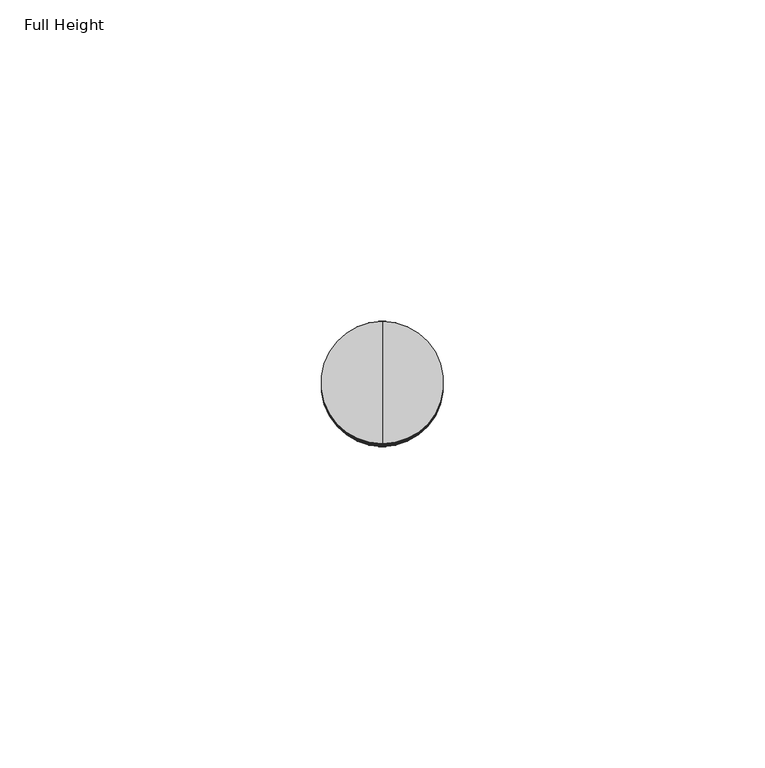
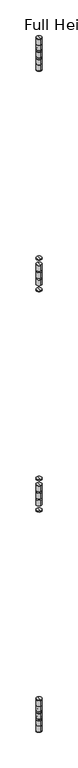
"""IFC4 building model written with IfcOpenShell, lengths in millimetres: plate geometry, Full Height."""

from ifc_helpers import new_model, si_unit, point, frame, origin, place, context, project, spatial, circle_curve, ellipse_curve, trimmed, source, transform, mapped, element, save
from ifc_brep_helpers import plane_surface, cylinder_surface, revolved_surface, advanced_brep


def full_height_aae500aa(model_context):
    return source(origin(), model_context, "Body", "AdvancedBrep", [
        advanced_brep(
        [(-465.836, -30.9626, 1194.6466667), (-465.836, -50.0126, 1194.6466667), (-465.836, -50.0126, 1196.6786667), (-465.836, -30.9626, 1196.6786667), (-465.836, -40.4876, 1194.6466667), (-465.836, -40.4876, 1196.6786667)],
        [
            (0, 1, circle_curve(frame((-465.836, -40.4876, 1194.6466667), z_axis=(0.0, 0.0, 1.0), x_axis=(0.0, -1.0, 0.0)), 9.525)),
            (1, 2),
            (2, 3, circle_curve(frame((-465.836, -40.4876, 1196.6786667), z_axis=(0.0, 0.0, -1.0), x_axis=(0.0, -1.0, 0.0)), 9.525)),
            (3, 0),
            (1, 0, circle_curve(frame((-465.836, -40.4876, 1194.6466667), z_axis=(0.0, 0.0, 1.0), x_axis=(0.0, -1.0, 0.0)), 9.525)),
            (3, 2, circle_curve(frame((-465.836, -40.4876, 1196.6786667), z_axis=(0.0, 0.0, -1.0), x_axis=(0.0, -1.0, 0.0)), 9.525)),
            (4, 1),
            (0, 4),
            (2, 5),
            (5, 3),
        ],
        [
            cylinder_surface(frame((-465.836, -40.4876, 2074.8413333), z_axis=(0.0, 0.0, -1.0), x_axis=(0.0, -1.0, 0.0)), 9.525),
            plane_surface(frame((-465.836, -40.4876, 1194.6466667), z_axis=(0.0, 0.0, -1.0), x_axis=(0.0, -1.0, 0.0))),
            plane_surface(frame((-465.836, -40.4876, 1196.6786667), z_axis=(0.0, 0.0, 1.0), x_axis=(0.0, -1.0, 0.0))),
        ],
        [
            (0, [[1, 2, 3, 4]]),
            (0, [[5, -4, 6, -2]]),
            (1, [[7, -1, 8]]),
            (1, [[-8, -5, -7]]),
            (2, [[-3, 9, 10]]),
            (2, [[-6, -10, -9]]),
        ],
    ),
        advanced_brep(
        [(-465.836, -30.9626, 1154.0066667), (-465.836, -50.0126, 1154.0066667), (-465.836, -50.0126, 1174.3266667), (-465.836, -30.9626, 1174.3266667), (-465.836, -40.4876, 1154.0066667), (-465.836, -40.4876, 1174.3266667)],
        [
            (0, 1, circle_curve(frame((-465.836, -40.4876, 1154.0066667), z_axis=(0.0, 0.0, 1.0), x_axis=(0.0, -1.0, 0.0)), 9.525)),
            (1, 2),
            (2, 3, circle_curve(frame((-465.836, -40.4876, 1174.3266667), z_axis=(0.0, 0.0, -1.0), x_axis=(0.0, -1.0, 0.0)), 9.525)),
            (3, 0),
            (1, 0, circle_curve(frame((-465.836, -40.4876, 1154.0066667), z_axis=(0.0, 0.0, 1.0), x_axis=(0.0, -1.0, 0.0)), 9.525)),
            (3, 2, circle_curve(frame((-465.836, -40.4876, 1174.3266667), z_axis=(0.0, 0.0, -1.0), x_axis=(0.0, -1.0, 0.0)), 9.525)),
            (4, 1),
            (0, 4),
            (2, 5),
            (5, 3),
        ],
        [
            cylinder_surface(frame((-465.836, -40.4876, 2074.8413333), z_axis=(0.0, 0.0, -1.0), x_axis=(0.0, -1.0, 0.0)), 9.525),
            plane_surface(frame((-465.836, -40.4876, 1154.0066667), z_axis=(0.0, 0.0, -1.0), x_axis=(0.0, -1.0, 0.0))),
            plane_surface(frame((-465.836, -40.4876, 1174.3266667), z_axis=(0.0, 0.0, 1.0), x_axis=(0.0, -1.0, 0.0))),
        ],
        [
            (0, [[1, 2, 3, 4]]),
            (0, [[5, -4, 6, -2]]),
            (1, [[7, -1, 8]]),
            (1, [[-8, -5, -7]]),
            (2, [[-3, 9, 10]]),
            (2, [[-6, -10, -9]]),
        ],
    ),
        advanced_brep(
        [(-465.836, -30.9626, 1127.3366667), (-465.836, -50.0126, 1127.3366667), (-465.836, -50.0126, 1147.6566667), (-465.836, -30.9626, 1147.6566667), (-465.836, -40.4876, 1127.3366667), (-465.836, -40.4876, 1147.6566667)],
        [
            (0, 1, circle_curve(frame((-465.836, -40.4876, 1127.3366667), z_axis=(0.0, 0.0, 1.0), x_axis=(0.0, -1.0, 0.0)), 9.525)),
            (1, 2),
            (2, 3, circle_curve(frame((-465.836, -40.4876, 1147.6566667), z_axis=(0.0, 0.0, -1.0), x_axis=(0.0, -1.0, 0.0)), 9.525)),
            (3, 0),
            (1, 0, circle_curve(frame((-465.836, -40.4876, 1127.3366667), z_axis=(0.0, 0.0, 1.0), x_axis=(0.0, -1.0, 0.0)), 9.525)),
            (3, 2, circle_curve(frame((-465.836, -40.4876, 1147.6566667), z_axis=(0.0, 0.0, -1.0), x_axis=(0.0, -1.0, 0.0)), 9.525)),
            (4, 1),
            (0, 4),
            (2, 5),
            (5, 3),
        ],
        [
            cylinder_surface(frame((-465.836, -40.4876, 2074.8413333), z_axis=(0.0, 0.0, -1.0), x_axis=(0.0, -1.0, 0.0)), 9.525),
            plane_surface(frame((-465.836, -40.4876, 1127.3366667), z_axis=(0.0, 0.0, -1.0), x_axis=(0.0, -1.0, 0.0))),
            plane_surface(frame((-465.836, -40.4876, 1147.6566667), z_axis=(0.0, 0.0, 1.0), x_axis=(0.0, -1.0, 0.0))),
        ],
        [
            (0, [[1, 2, 3, 4]]),
            (0, [[5, -4, 6, -2]]),
            (1, [[7, -1, 8]]),
            (1, [[-8, -5, -7]]),
            (2, [[-3, 9, 10]]),
            (2, [[-6, -10, -9]]),
        ],
    ),
        advanced_brep(
        [(-465.836, -30.9626, 1120.9866667), (-465.836, -50.0126, 1120.9866667), (-465.836, -40.4876, 1120.9866667), (-465.836, -30.9626, 1100.6666667), (-465.836, -50.0126, 1100.6666667), (-465.836, -40.4876, 1100.6666667)],
        [
            (0, 1, circle_curve(frame((-465.836, -40.4876, 1120.9866667), z_axis=(0.0, 0.0, 1.0), x_axis=(0.0, -1.0, 0.0)), 9.525)),
            (1, 2),
            (2, 0),
            (1, 0, circle_curve(frame((-465.836, -40.4876, 1120.9866667), z_axis=(0.0, 0.0, 1.0), x_axis=(0.0, -1.0, 0.0)), 9.525)),
            (3, 4, circle_curve(frame((-465.836, -40.4876, 1100.6666667), z_axis=(0.0, 0.0, 1.0), x_axis=(0.0, -1.0, 0.0)), 9.525)),
            (4, 1),
            (0, 3),
            (4, 3, circle_curve(frame((-465.836, -40.4876, 1100.6666667), z_axis=(0.0, 0.0, 1.0), x_axis=(0.0, -1.0, 0.0)), 9.525)),
            (5, 4),
            (3, 5),
        ],
        [
            plane_surface(frame((-465.836, -40.4876, 1120.9866667), z_axis=(0.0, 0.0, 1.0), x_axis=(0.0, -1.0, 0.0))),
            cylinder_surface(frame((-465.836, -40.4876, 2074.8413333), z_axis=(0.0, 0.0, -1.0), x_axis=(0.0, -1.0, 0.0)), 9.525),
            plane_surface(frame((-465.836, -40.4876, 1100.6666667), z_axis=(0.0, 0.0, -1.0), x_axis=(0.0, -1.0, 0.0))),
        ],
        [
            (0, [[1, 2, 3]]),
            (0, [[4, -3, -2]]),
            (1, [[5, 6, -1, 7]]),
            (1, [[8, -7, -4, -6]]),
            (2, [[9, -5, 10]]),
            (2, [[-10, -8, -9]]),
        ],
    ),
        advanced_brep(
        [(-465.836, -30.9626, 1078.3146667), (-465.836, -50.0126, 1078.3146667), (-465.836, -50.0126, 1080.3466667), (-465.836, -30.9626, 1080.3466667), (-465.836, -40.4876, 1078.3146667), (-465.836, -40.4876, 1080.3466667)],
        [
            (0, 1, circle_curve(frame((-465.836, -40.4876, 1078.3146667), z_axis=(0.0, 0.0, 1.0), x_axis=(0.0, -1.0, 0.0)), 9.525)),
            (1, 2),
            (2, 3, circle_curve(frame((-465.836, -40.4876, 1080.3466667), z_axis=(0.0, 0.0, -1.0), x_axis=(0.0, -1.0, 0.0)), 9.525)),
            (3, 0),
            (1, 0, circle_curve(frame((-465.836, -40.4876, 1078.3146667), z_axis=(0.0, 0.0, 1.0), x_axis=(0.0, -1.0, 0.0)), 9.525)),
            (3, 2, circle_curve(frame((-465.836, -40.4876, 1080.3466667), z_axis=(0.0, 0.0, -1.0), x_axis=(0.0, -1.0, 0.0)), 9.525)),
            (4, 1),
            (0, 4),
            (2, 5),
            (5, 3),
        ],
        [
            cylinder_surface(frame((-465.836, -40.4876, 2074.8413333), z_axis=(0.0, 0.0, -1.0), x_axis=(0.0, -1.0, 0.0)), 9.525),
            plane_surface(frame((-465.836, -40.4876, 1078.3146667), z_axis=(0.0, 0.0, -1.0), x_axis=(0.0, -1.0, 0.0))),
            plane_surface(frame((-465.836, -40.4876, 1080.3466667), z_axis=(0.0, 0.0, 1.0), x_axis=(0.0, -1.0, 0.0))),
        ],
        [
            (0, [[1, 2, 3, 4]]),
            (0, [[5, -4, 6, -2]]),
            (1, [[7, -1, 8]]),
            (1, [[-8, -5, -7]]),
            (2, [[-3, 9, 10]]),
            (2, [[-6, -10, -9]]),
        ],
    ),
        advanced_brep(
        [(-465.836, -30.9626, 2008.2933333), (-465.836, -50.0126, 2008.2933333), (-465.836, -50.0126, 2010.3253333), (-465.836, -30.9626, 2010.3253333), (-465.836, -40.4876, 2008.2933333), (-465.836, -40.4876, 2010.3253333)],
        [
            (0, 1, circle_curve(frame((-465.836, -40.4876, 2008.2933333), z_axis=(0.0, 0.0, 1.0), x_axis=(0.0, -1.0, 0.0)), 9.525)),
            (1, 2),
            (2, 3, circle_curve(frame((-465.836, -40.4876, 2010.3253333), z_axis=(0.0, 0.0, -1.0), x_axis=(0.0, -1.0, 0.0)), 9.525)),
            (3, 0),
            (1, 0, circle_curve(frame((-465.836, -40.4876, 2008.2933333), z_axis=(0.0, 0.0, 1.0), x_axis=(0.0, -1.0, 0.0)), 9.525)),
            (3, 2, circle_curve(frame((-465.836, -40.4876, 2010.3253333), z_axis=(0.0, 0.0, -1.0), x_axis=(0.0, -1.0, 0.0)), 9.525)),
            (4, 1),
            (0, 4),
            (2, 5),
            (5, 3),
        ],
        [
            cylinder_surface(frame((-465.836, -40.4876, 2074.8413333), z_axis=(0.0, 0.0, -1.0), x_axis=(0.0, -1.0, 0.0)), 9.525),
            plane_surface(frame((-465.836, -40.4876, 2008.2933333), z_axis=(0.0, 0.0, -1.0), x_axis=(0.0, -1.0, 0.0))),
            plane_surface(frame((-465.836, -40.4876, 2010.3253333), z_axis=(0.0, 0.0, 1.0), x_axis=(0.0, -1.0, 0.0))),
        ],
        [
            (0, [[1, 2, 3, 4]]),
            (0, [[5, -4, 6, -2]]),
            (1, [[7, -1, 8]]),
            (1, [[-8, -5, -7]]),
            (2, [[-3, 9, 10]]),
            (2, [[-6, -10, -9]]),
        ],
    ),
        advanced_brep(
        [(-465.836, -30.9626, 1967.6533333), (-465.836, -50.0126, 1967.6533333), (-465.836, -50.0126, 1987.9733333), (-465.836, -30.9626, 1987.9733333), (-465.836, -40.4876, 1967.6533333), (-465.836, -40.4876, 1987.9733333)],
        [
            (0, 1, circle_curve(frame((-465.836, -40.4876, 1967.6533333), z_axis=(0.0, 0.0, 1.0), x_axis=(0.0, -1.0, 0.0)), 9.525)),
            (1, 2),
            (2, 3, circle_curve(frame((-465.836, -40.4876, 1987.9733333), z_axis=(0.0, 0.0, -1.0), x_axis=(0.0, -1.0, 0.0)), 9.525)),
            (3, 0),
            (1, 0, circle_curve(frame((-465.836, -40.4876, 1967.6533333), z_axis=(0.0, 0.0, 1.0), x_axis=(0.0, -1.0, 0.0)), 9.525)),
            (3, 2, circle_curve(frame((-465.836, -40.4876, 1987.9733333), z_axis=(0.0, 0.0, -1.0), x_axis=(0.0, -1.0, 0.0)), 9.525)),
            (4, 1),
            (0, 4),
            (2, 5),
            (5, 3),
        ],
        [
            cylinder_surface(frame((-465.836, -40.4876, 2074.8413333), z_axis=(0.0, 0.0, -1.0), x_axis=(0.0, -1.0, 0.0)), 9.525),
            plane_surface(frame((-465.836, -40.4876, 1967.6533333), z_axis=(0.0, 0.0, -1.0), x_axis=(0.0, -1.0, 0.0))),
            plane_surface(frame((-465.836, -40.4876, 1987.9733333), z_axis=(0.0, 0.0, 1.0), x_axis=(0.0, -1.0, 0.0))),
        ],
        [
            (0, [[1, 2, 3, 4]]),
            (0, [[5, -4, 6, -2]]),
            (1, [[7, -1, 8]]),
            (1, [[-8, -5, -7]]),
            (2, [[-3, 9, 10]]),
            (2, [[-6, -10, -9]]),
        ],
    ),
        advanced_brep(
        [(-465.836, -30.9626, 1940.9833333), (-465.836, -50.0126, 1940.9833333), (-465.836, -50.0126, 1961.3033333), (-465.836, -30.9626, 1961.3033333), (-465.836, -40.4876, 1940.9833333), (-465.836, -40.4876, 1961.3033333)],
        [
            (0, 1, circle_curve(frame((-465.836, -40.4876, 1940.9833333), z_axis=(0.0, 0.0, 1.0), x_axis=(0.0, -1.0, 0.0)), 9.525)),
            (1, 2),
            (2, 3, circle_curve(frame((-465.836, -40.4876, 1961.3033333), z_axis=(0.0, 0.0, -1.0), x_axis=(0.0, -1.0, 0.0)), 9.525)),
            (3, 0),
            (1, 0, circle_curve(frame((-465.836, -40.4876, 1940.9833333), z_axis=(0.0, 0.0, 1.0), x_axis=(0.0, -1.0, 0.0)), 9.525)),
            (3, 2, circle_curve(frame((-465.836, -40.4876, 1961.3033333), z_axis=(0.0, 0.0, -1.0), x_axis=(0.0, -1.0, 0.0)), 9.525)),
            (4, 1),
            (0, 4),
            (2, 5),
            (5, 3),
        ],
        [
            cylinder_surface(frame((-465.836, -40.4876, 2074.8413333), z_axis=(0.0, 0.0, -1.0), x_axis=(0.0, -1.0, 0.0)), 9.525),
            plane_surface(frame((-465.836, -40.4876, 1940.9833333), z_axis=(0.0, 0.0, -1.0), x_axis=(0.0, -1.0, 0.0))),
            plane_surface(frame((-465.836, -40.4876, 1961.3033333), z_axis=(0.0, 0.0, 1.0), x_axis=(0.0, -1.0, 0.0))),
        ],
        [
            (0, [[1, 2, 3, 4]]),
            (0, [[5, -4, 6, -2]]),
            (1, [[7, -1, 8]]),
            (1, [[-8, -5, -7]]),
            (2, [[-3, 9, 10]]),
            (2, [[-6, -10, -9]]),
        ],
    ),
        advanced_brep(
        [(-465.836, -30.9626, 1914.3133333), (-465.836, -50.0126, 1914.3133333), (-465.836, -50.0126, 1934.6333333), (-465.836, -30.9626, 1934.6333333), (-465.836, -40.4876, 1914.3133333), (-465.836, -40.4876, 1934.6333333)],
        [
            (0, 1, circle_curve(frame((-465.836, -40.4876, 1914.3133333), z_axis=(0.0, 0.0, 1.0), x_axis=(0.0, -1.0, 0.0)), 9.525)),
            (1, 2),
            (2, 3, circle_curve(frame((-465.836, -40.4876, 1934.6333333), z_axis=(0.0, 0.0, -1.0), x_axis=(0.0, -1.0, 0.0)), 9.525)),
            (3, 0),
            (1, 0, circle_curve(frame((-465.836, -40.4876, 1914.3133333), z_axis=(0.0, 0.0, 1.0), x_axis=(0.0, -1.0, 0.0)), 9.525)),
            (3, 2, circle_curve(frame((-465.836, -40.4876, 1934.6333333), z_axis=(0.0, 0.0, -1.0), x_axis=(0.0, -1.0, 0.0)), 9.525)),
            (4, 1),
            (0, 4),
            (2, 5),
            (5, 3),
        ],
        [
            cylinder_surface(frame((-465.836, -40.4876, 2074.8413333), z_axis=(0.0, 0.0, -1.0), x_axis=(0.0, -1.0, 0.0)), 9.525),
            plane_surface(frame((-465.836, -40.4876, 1914.3133333), z_axis=(0.0, 0.0, -1.0), x_axis=(0.0, -1.0, 0.0))),
            plane_surface(frame((-465.836, -40.4876, 1934.6333333), z_axis=(0.0, 0.0, 1.0), x_axis=(0.0, -1.0, 0.0))),
        ],
        [
            (0, [[1, 2, 3, 4]]),
            (0, [[5, -4, 6, -2]]),
            (1, [[7, -1, 8]]),
            (1, [[-8, -5, -7]]),
            (2, [[-3, 9, 10]]),
            (2, [[-6, -10, -9]]),
        ],
    ),
        advanced_brep(
        [(-465.836, -40.4876, 1891.9613333), (-465.836, -50.0126, 1891.9613333), (-465.836, -30.9626, 1891.9613333), (-465.836, -30.9626, 1893.9933333), (-465.836, -50.0126, 1893.9933333), (-465.836, -40.4876, 1893.9933333)],
        [
            (0, 1),
            (1, 2, circle_curve(frame((-465.836, -40.4876, 1891.9613333), z_axis=(0.0, 0.0, -1.0), x_axis=(0.0, -1.0, 0.0)), 9.525)),
            (2, 0),
            (2, 1, circle_curve(frame((-465.836, -40.4876, 1891.9613333), z_axis=(0.0, 0.0, -1.0), x_axis=(0.0, -1.0, 0.0)), 9.525)),
            (3, 4, circle_curve(frame((-465.836, -40.4876, 1893.9933333), z_axis=(0.0, 0.0, 1.0), x_axis=(0.0, -1.0, 0.0)), 9.525)),
            (4, 5),
            (5, 3),
            (4, 3, circle_curve(frame((-465.836, -40.4876, 1893.9933333), z_axis=(0.0, 0.0, 1.0), x_axis=(0.0, -1.0, 0.0)), 9.525)),
            (1, 4),
            (3, 2),
        ],
        [
            plane_surface(frame((-465.836, -40.4876, 1891.9613333), z_axis=(0.0, 0.0, -1.0), x_axis=(0.0, -1.0, 0.0))),
            plane_surface(frame((-465.836, -40.4876, 1893.9933333), z_axis=(0.0, 0.0, 1.0), x_axis=(0.0, -1.0, 0.0))),
            cylinder_surface(frame((-465.836, -40.4876, 2074.8413333), z_axis=(0.0, 0.0, -1.0), x_axis=(0.0, -1.0, 0.0)), 9.525),
        ],
        [
            (0, [[1, 2, 3]]),
            (0, [[-3, 4, -1]]),
            (1, [[5, 6, 7]]),
            (1, [[8, -7, -6]]),
            (2, [[-2, 9, -5, 10]]),
            (2, [[-4, -10, -8, -9]]),
        ],
    ),
        advanced_brep(
        [(-465.836, -30.9626, 334.518), (-465.836, -50.0126, 334.518), (-465.836, -50.0126, 339.852), (-465.836, -30.9626, 339.852), (-465.836, -40.4876, 334.01), (-465.836, -49.5046, 334.01), (-465.836, -31.4706, 334.01), (-465.836, -31.4706, 340.36), (-465.836, -49.5046, 340.36), (-465.836, -40.4876, 340.36)],
        [
            (0, 1, circle_curve(frame((-465.836, -40.4876, 334.518), z_axis=(0.0, 0.0, 1.0), x_axis=(0.0, -1.0, 0.0)), 9.525)),
            (1, 2),
            (2, 3, circle_curve(frame((-465.836, -40.4876, 339.852), z_axis=(0.0, 0.0, -1.0), x_axis=(0.0, -1.0, 0.0)), 9.525)),
            (3, 0),
            (1, 0, circle_curve(frame((-465.836, -40.4876, 334.518), z_axis=(0.0, 0.0, 1.0), x_axis=(0.0, -1.0, 0.0)), 9.525)),
            (3, 2, circle_curve(frame((-465.836, -40.4876, 339.852), z_axis=(0.0, 0.0, -1.0), x_axis=(0.0, -1.0, 0.0)), 9.525)),
            (4, 5),
            (5, 6, circle_curve(frame((-465.836, -40.4876, 334.01), z_axis=(0.0, 0.0, -1.0), x_axis=(0.0, -1.0, 0.0)), 9.017)),
            (6, 4),
            (6, 5, circle_curve(frame((-465.836, -40.4876, 334.01), z_axis=(0.0, 0.0, -1.0), x_axis=(0.0, -1.0, 0.0)), 9.017)),
            (7, 8, circle_curve(frame((-465.836, -40.4876, 340.36), z_axis=(0.0, 0.0, 1.0), x_axis=(0.0, -1.0, 0.0)), 9.017)),
            (8, 9),
            (9, 7),
            (8, 7, circle_curve(frame((-465.836, -40.4876, 340.36), z_axis=(0.0, 0.0, 1.0), x_axis=(0.0, -1.0, 0.0)), 9.017)),
            (2, 8, circle_curve(frame((-465.836, -49.5046, 339.852), z_axis=(-1.0, 0.0, 0.0), x_axis=(0.0, 1.0, 0.0)), 0.508)),
            (7, 3, circle_curve(frame((-465.836, -31.4706, 339.852), z_axis=(-1.0, 0.0, 0.0), x_axis=(0.0, -1.0, 0.0)), 0.508)),
            (5, 1, circle_curve(frame((-465.836, -49.5046, 334.518), z_axis=(-1.0, 0.0, 0.0), x_axis=(0.0, 1.0, 0.0)), 0.508)),
            (0, 6, circle_curve(frame((-465.836, -31.4706, 334.518), z_axis=(-1.0, 0.0, 0.0), x_axis=(0.0, -1.0, 0.0)), 0.508)),
        ],
        [
            cylinder_surface(frame((-465.836, -40.4876, 2838.45), z_axis=(0.0, 0.0, -1.0), x_axis=(0.0, -1.0, 0.0)), 9.525),
            plane_surface(frame((-465.836, -40.4876, 334.01), z_axis=(0.0, 0.0, -1.0), x_axis=(0.0, -1.0, 0.0))),
            plane_surface(frame((-465.836, -40.4876, 340.36), z_axis=(0.0, 0.0, 1.0), x_axis=(0.0, -1.0, 0.0))),
            revolved_surface(trimmed(ellipse_curve(frame((-465.836, -49.5046, 339.852), z_axis=(1.0, 0.0, 0.0), x_axis=(0.0, 1.0, 0.0)), 0.508, 0.508), [point((-465.836, -49.5046, 340.36))], [point((-465.836, -50.0126, 339.852))], True, "CARTESIAN"), (-465.836, -40.4876, 2838.45), (0.0, 0.0, -1.0)),
            revolved_surface(trimmed(ellipse_curve(frame((-465.836, -49.5046, 334.518), z_axis=(1.0, 0.0, 0.0), x_axis=(0.0, 1.0, 0.0)), 0.508, 0.508), [point((-465.836, -50.0126, 334.518))], [point((-465.836, -49.5046, 334.01))], True, "CARTESIAN"), (-465.836, -40.4876, 2838.45), (0.0, 0.0, -1.0)),
        ],
        [
            (0, [[1, 2, 3, 4]]),
            (0, [[5, -4, 6, -2]]),
            (1, [[7, 8, 9]]),
            (1, [[-9, 10, -7]]),
            (2, [[11, 12, 13]]),
            (2, [[14, -13, -12]]),
            (3, [[-3, 15, -11, 16]]),
            (3, [[-6, -16, -14, -15]]),
            (4, [[-8, 17, -1, 18]]),
            (4, [[-10, -18, -5, -17]]),
        ],
    ),
        advanced_brep(
        [(-465.836, -30.9626, 307.848), (-465.836, -50.0126, 307.848), (-465.836, -50.0126, 313.182), (-465.836, -30.9626, 313.182), (-465.836, -40.4876, 307.34), (-465.836, -49.5046, 307.34), (-465.836, -31.4706, 307.34), (-465.836, -31.4706, 313.69), (-465.836, -49.5046, 313.69), (-465.836, -40.4876, 313.69)],
        [
            (0, 1, circle_curve(frame((-465.836, -40.4876, 307.848), z_axis=(0.0, 0.0, 1.0), x_axis=(0.0, -1.0, 0.0)), 9.525)),
            (1, 2),
            (2, 3, circle_curve(frame((-465.836, -40.4876, 313.182), z_axis=(0.0, 0.0, -1.0), x_axis=(0.0, -1.0, 0.0)), 9.525)),
            (3, 0),
            (1, 0, circle_curve(frame((-465.836, -40.4876, 307.848), z_axis=(0.0, 0.0, 1.0), x_axis=(0.0, -1.0, 0.0)), 9.525)),
            (3, 2, circle_curve(frame((-465.836, -40.4876, 313.182), z_axis=(0.0, 0.0, -1.0), x_axis=(0.0, -1.0, 0.0)), 9.525)),
            (4, 5),
            (5, 6, circle_curve(frame((-465.836, -40.4876, 307.34), z_axis=(0.0, 0.0, -1.0), x_axis=(0.0, -1.0, 0.0)), 9.017)),
            (6, 4),
            (6, 5, circle_curve(frame((-465.836, -40.4876, 307.34), z_axis=(0.0, 0.0, -1.0), x_axis=(0.0, -1.0, 0.0)), 9.017)),
            (7, 8, circle_curve(frame((-465.836, -40.4876, 313.69), z_axis=(0.0, 0.0, 1.0), x_axis=(0.0, -1.0, 0.0)), 9.017)),
            (8, 9),
            (9, 7),
            (8, 7, circle_curve(frame((-465.836, -40.4876, 313.69), z_axis=(0.0, 0.0, 1.0), x_axis=(0.0, -1.0, 0.0)), 9.017)),
            (2, 8, circle_curve(frame((-465.836, -49.5046, 313.182), z_axis=(-1.0, 0.0, 0.0), x_axis=(0.0, 1.0, 0.0)), 0.508)),
            (7, 3, circle_curve(frame((-465.836, -31.4706, 313.182), z_axis=(-1.0, 0.0, 0.0), x_axis=(0.0, -1.0, 0.0)), 0.508)),
            (5, 1, circle_curve(frame((-465.836, -49.5046, 307.848), z_axis=(-1.0, 0.0, 0.0), x_axis=(0.0, 1.0, 0.0)), 0.508)),
            (0, 6, circle_curve(frame((-465.836, -31.4706, 307.848), z_axis=(-1.0, 0.0, 0.0), x_axis=(0.0, -1.0, 0.0)), 0.508)),
        ],
        [
            cylinder_surface(frame((-465.836, -40.4876, 2838.45), z_axis=(0.0, 0.0, -1.0), x_axis=(0.0, -1.0, 0.0)), 9.525),
            plane_surface(frame((-465.836, -40.4876, 307.34), z_axis=(0.0, 0.0, -1.0), x_axis=(0.0, -1.0, 0.0))),
            plane_surface(frame((-465.836, -40.4876, 313.69), z_axis=(0.0, 0.0, 1.0), x_axis=(0.0, -1.0, 0.0))),
            revolved_surface(trimmed(ellipse_curve(frame((-465.836, -49.5046, 313.182), z_axis=(1.0, 0.0, 0.0), x_axis=(0.0, 1.0, 0.0)), 0.508, 0.508), [point((-465.836, -49.5046, 313.69))], [point((-465.836, -50.0126, 313.182))], True, "CARTESIAN"), (-465.836, -40.4876, 2838.45), (0.0, 0.0, -1.0)),
            revolved_surface(trimmed(ellipse_curve(frame((-465.836, -49.5046, 307.848), z_axis=(1.0, 0.0, 0.0), x_axis=(0.0, 1.0, 0.0)), 0.508, 0.508), [point((-465.836, -50.0126, 307.848))], [point((-465.836, -49.5046, 307.34))], True, "CARTESIAN"), (-465.836, -40.4876, 2838.45), (0.0, 0.0, -1.0)),
        ],
        [
            (0, [[1, 2, 3, 4]]),
            (0, [[5, -4, 6, -2]]),
            (1, [[7, 8, 9]]),
            (1, [[-9, 10, -7]]),
            (2, [[11, 12, 13]]),
            (2, [[14, -13, -12]]),
            (3, [[-3, 15, -11, 16]]),
            (3, [[-6, -16, -14, -15]]),
            (4, [[-8, 17, -1, 18]]),
            (4, [[-10, -18, -5, -17]]),
        ],
    ),
        advanced_brep(
        [(-465.836, -30.9626, 2775.458), (-465.836, -50.0126, 2775.458), (-465.836, -50.0126, 2780.792), (-465.836, -30.9626, 2780.792), (-465.836, -40.4876, 2774.95), (-465.836, -49.5046, 2774.95), (-465.836, -31.4706, 2774.95), (-465.836, -31.4706, 2781.3), (-465.836, -49.5046, 2781.3), (-465.836, -40.4876, 2781.3)],
        [
            (0, 1, circle_curve(frame((-465.836, -40.4876, 2775.458), z_axis=(0.0, 0.0, 1.0), x_axis=(0.0, -1.0, 0.0)), 9.525)),
            (1, 2),
            (2, 3, circle_curve(frame((-465.836, -40.4876, 2780.792), z_axis=(0.0, 0.0, -1.0), x_axis=(0.0, -1.0, 0.0)), 9.525)),
            (3, 0),
            (1, 0, circle_curve(frame((-465.836, -40.4876, 2775.458), z_axis=(0.0, 0.0, 1.0), x_axis=(0.0, -1.0, 0.0)), 9.525)),
            (3, 2, circle_curve(frame((-465.836, -40.4876, 2780.792), z_axis=(0.0, 0.0, -1.0), x_axis=(0.0, -1.0, 0.0)), 9.525)),
            (4, 5),
            (5, 6, circle_curve(frame((-465.836, -40.4876, 2774.95), z_axis=(0.0, 0.0, -1.0), x_axis=(0.0, -1.0, 0.0)), 9.017)),
            (6, 4),
            (6, 5, circle_curve(frame((-465.836, -40.4876, 2774.95), z_axis=(0.0, 0.0, -1.0), x_axis=(0.0, -1.0, 0.0)), 9.017)),
            (7, 8, circle_curve(frame((-465.836, -40.4876, 2781.3), z_axis=(0.0, 0.0, 1.0), x_axis=(0.0, -1.0, 0.0)), 9.017)),
            (8, 9),
            (9, 7),
            (8, 7, circle_curve(frame((-465.836, -40.4876, 2781.3), z_axis=(0.0, 0.0, 1.0), x_axis=(0.0, -1.0, 0.0)), 9.017)),
            (2, 8, circle_curve(frame((-465.836, -49.5046, 2780.792), z_axis=(-1.0, 0.0, 0.0), x_axis=(0.0, 1.0, 0.0)), 0.508)),
            (7, 3, circle_curve(frame((-465.836, -31.4706, 2780.792), z_axis=(-1.0, 0.0, 0.0), x_axis=(0.0, -1.0, 0.0)), 0.508)),
            (5, 1, circle_curve(frame((-465.836, -49.5046, 2775.458), z_axis=(-1.0, 0.0, 0.0), x_axis=(0.0, 1.0, 0.0)), 0.508)),
            (0, 6, circle_curve(frame((-465.836, -31.4706, 2775.458), z_axis=(-1.0, 0.0, 0.0), x_axis=(0.0, -1.0, 0.0)), 0.508)),
        ],
        [
            cylinder_surface(frame((-465.836, -40.4876, 2838.45), z_axis=(0.0, 0.0, -1.0), x_axis=(0.0, -1.0, 0.0)), 9.525),
            plane_surface(frame((-465.836, -40.4876, 2774.95), z_axis=(0.0, 0.0, -1.0), x_axis=(0.0, -1.0, 0.0))),
            plane_surface(frame((-465.836, -40.4876, 2781.3), z_axis=(0.0, 0.0, 1.0), x_axis=(0.0, -1.0, 0.0))),
            revolved_surface(trimmed(ellipse_curve(frame((-465.836, -49.5046, 2780.792), z_axis=(1.0, 0.0, 0.0), x_axis=(0.0, 1.0, 0.0)), 0.508, 0.508), [point((-465.836, -49.5046, 2781.3))], [point((-465.836, -50.0126, 2780.792))], True, "CARTESIAN"), (-465.836, -40.4876, 2838.45), (0.0, 0.0, -1.0)),
            revolved_surface(trimmed(ellipse_curve(frame((-465.836, -49.5046, 2775.458), z_axis=(1.0, 0.0, 0.0), x_axis=(0.0, 1.0, 0.0)), 0.508, 0.508), [point((-465.836, -50.0126, 2775.458))], [point((-465.836, -49.5046, 2774.95))], True, "CARTESIAN"), (-465.836, -40.4876, 2838.45), (0.0, 0.0, -1.0)),
        ],
        [
            (0, [[1, 2, 3, 4]]),
            (0, [[5, -4, 6, -2]]),
            (1, [[7, 8, 9]]),
            (1, [[-9, 10, -7]]),
            (2, [[11, 12, 13]]),
            (2, [[14, -13, -12]]),
            (3, [[-3, 15, -11, 16]]),
            (3, [[-6, -16, -14, -15]]),
            (4, [[-8, 17, -1, 18]]),
            (4, [[-10, -18, -5, -17]]),
        ],
    ),
        advanced_brep(
        [(-465.836, -30.9626, 2748.788), (-465.836, -50.0126, 2748.788), (-465.836, -50.0126, 2754.122), (-465.836, -30.9626, 2754.122), (-465.836, -40.4876, 2748.28), (-465.836, -49.5046, 2748.28), (-465.836, -31.4706, 2748.28), (-465.836, -31.4706, 2754.63), (-465.836, -49.5046, 2754.63), (-465.836, -40.4876, 2754.63)],
        [
            (0, 1, circle_curve(frame((-465.836, -40.4876, 2748.788), z_axis=(0.0, 0.0, 1.0), x_axis=(0.0, -1.0, 0.0)), 9.525)),
            (1, 2),
            (2, 3, circle_curve(frame((-465.836, -40.4876, 2754.122), z_axis=(0.0, 0.0, -1.0), x_axis=(0.0, -1.0, 0.0)), 9.525)),
            (3, 0),
            (1, 0, circle_curve(frame((-465.836, -40.4876, 2748.788), z_axis=(0.0, 0.0, 1.0), x_axis=(0.0, -1.0, 0.0)), 9.525)),
            (3, 2, circle_curve(frame((-465.836, -40.4876, 2754.122), z_axis=(0.0, 0.0, -1.0), x_axis=(0.0, -1.0, 0.0)), 9.525)),
            (4, 5),
            (5, 6, circle_curve(frame((-465.836, -40.4876, 2748.28), z_axis=(0.0, 0.0, -1.0), x_axis=(0.0, -1.0, 0.0)), 9.017)),
            (6, 4),
            (6, 5, circle_curve(frame((-465.836, -40.4876, 2748.28), z_axis=(0.0, 0.0, -1.0), x_axis=(0.0, -1.0, 0.0)), 9.017)),
            (7, 8, circle_curve(frame((-465.836, -40.4876, 2754.63), z_axis=(0.0, 0.0, 1.0), x_axis=(0.0, -1.0, 0.0)), 9.017)),
            (8, 9),
            (9, 7),
            (8, 7, circle_curve(frame((-465.836, -40.4876, 2754.63), z_axis=(0.0, 0.0, 1.0), x_axis=(0.0, -1.0, 0.0)), 9.017)),
            (2, 8, circle_curve(frame((-465.836, -49.5046, 2754.122), z_axis=(-1.0, 0.0, 0.0), x_axis=(0.0, 1.0, 0.0)), 0.508)),
            (7, 3, circle_curve(frame((-465.836, -31.4706, 2754.122), z_axis=(-1.0, 0.0, 0.0), x_axis=(0.0, -1.0, 0.0)), 0.508)),
            (5, 1, circle_curve(frame((-465.836, -49.5046, 2748.788), z_axis=(-1.0, 0.0, 0.0), x_axis=(0.0, 1.0, 0.0)), 0.508)),
            (0, 6, circle_curve(frame((-465.836, -31.4706, 2748.788), z_axis=(-1.0, 0.0, 0.0), x_axis=(0.0, -1.0, 0.0)), 0.508)),
        ],
        [
            cylinder_surface(frame((-465.836, -40.4876, 2838.45), z_axis=(0.0, 0.0, -1.0), x_axis=(0.0, -1.0, 0.0)), 9.525),
            plane_surface(frame((-465.836, -40.4876, 2748.28), z_axis=(0.0, 0.0, -1.0), x_axis=(0.0, -1.0, 0.0))),
            plane_surface(frame((-465.836, -40.4876, 2754.63), z_axis=(0.0, 0.0, 1.0), x_axis=(0.0, -1.0, 0.0))),
            revolved_surface(trimmed(ellipse_curve(frame((-465.836, -49.5046, 2754.122), z_axis=(1.0, 0.0, 0.0), x_axis=(0.0, 1.0, 0.0)), 0.508, 0.508), [point((-465.836, -49.5046, 2754.63))], [point((-465.836, -50.0126, 2754.122))], True, "CARTESIAN"), (-465.836, -40.4876, 2838.45), (0.0, 0.0, -1.0)),
            revolved_surface(trimmed(ellipse_curve(frame((-465.836, -49.5046, 2748.788), z_axis=(1.0, 0.0, 0.0), x_axis=(0.0, 1.0, 0.0)), 0.508, 0.508), [point((-465.836, -50.0126, 2748.788))], [point((-465.836, -49.5046, 2748.28))], True, "CARTESIAN"), (-465.836, -40.4876, 2838.45), (0.0, 0.0, -1.0)),
        ],
        [
            (0, [[1, 2, 3, 4]]),
            (0, [[5, -4, 6, -2]]),
            (1, [[7, 8, 9]]),
            (1, [[-9, 10, -7]]),
            (2, [[11, 12, 13]]),
            (2, [[14, -13, -12]]),
            (3, [[-3, 15, -11, 16]]),
            (3, [[-6, -16, -14, -15]]),
            (4, [[-8, 17, -1, 18]]),
            (4, [[-10, -18, -5, -17]]),
        ],
    ),
        advanced_brep(
        [(-465.836, -30.9626, 2801.62), (-465.836, -50.0126, 2801.62), (-465.836, -50.0126, 2821.94), (-465.836, -30.9626, 2821.94), (-465.836, -40.4876, 2801.62), (-465.836, -40.4876, 2821.94)],
        [
            (0, 1, circle_curve(frame((-465.836, -40.4876, 2801.62), z_axis=(0.0, 0.0, 1.0), x_axis=(0.0, -1.0, 0.0)), 9.525)),
            (1, 2),
            (2, 3, circle_curve(frame((-465.836, -40.4876, 2821.94), z_axis=(0.0, 0.0, -1.0), x_axis=(0.0, -1.0, 0.0)), 9.525)),
            (3, 0),
            (1, 0, circle_curve(frame((-465.836, -40.4876, 2801.62), z_axis=(0.0, 0.0, 1.0), x_axis=(0.0, -1.0, 0.0)), 9.525)),
            (3, 2, circle_curve(frame((-465.836, -40.4876, 2821.94), z_axis=(0.0, 0.0, -1.0), x_axis=(0.0, -1.0, 0.0)), 9.525)),
            (4, 1),
            (0, 4),
            (2, 5),
            (5, 3),
        ],
        [
            cylinder_surface(frame((-465.836, -40.4876, 139.7), z_axis=(0.0, 0.0, -1.0), x_axis=(0.0, -1.0, 0.0)), 9.525),
            plane_surface(frame((-465.836, -40.4876, 2801.62), z_axis=(0.0, 0.0, -1.0), x_axis=(0.0, -1.0, 0.0))),
            plane_surface(frame((-465.836, -40.4876, 2821.94), z_axis=(0.0, 0.0, 1.0), x_axis=(0.0, -1.0, 0.0))),
        ],
        [
            (0, [[1, 2, 3, 4]]),
            (0, [[5, -4, 6, -2]]),
            (1, [[7, -1, 8]]),
            (1, [[-8, -5, -7]]),
            (2, [[-3, 9, 10]]),
            (2, [[-6, -10, -9]]),
        ],
    ),
        advanced_brep(
        [(-465.836, -30.9626, 2754.63), (-465.836, -50.0126, 2754.63), (-465.836, -50.0126, 2774.95), (-465.836, -30.9626, 2774.95), (-465.836, -40.4876, 2754.63), (-465.836, -40.4876, 2774.95)],
        [
            (0, 1, circle_curve(frame((-465.836, -40.4876, 2754.63), z_axis=(0.0, 0.0, 1.0), x_axis=(0.0, -1.0, 0.0)), 9.525)),
            (1, 2),
            (2, 3, circle_curve(frame((-465.836, -40.4876, 2774.95), z_axis=(0.0, 0.0, -1.0), x_axis=(0.0, -1.0, 0.0)), 9.525)),
            (3, 0),
            (1, 0, circle_curve(frame((-465.836, -40.4876, 2754.63), z_axis=(0.0, 0.0, 1.0), x_axis=(0.0, -1.0, 0.0)), 9.525)),
            (3, 2, circle_curve(frame((-465.836, -40.4876, 2774.95), z_axis=(0.0, 0.0, -1.0), x_axis=(0.0, -1.0, 0.0)), 9.525)),
            (4, 1),
            (0, 4),
            (2, 5),
            (5, 3),
        ],
        [
            cylinder_surface(frame((-465.836, -40.4876, 139.7), z_axis=(0.0, 0.0, -1.0), x_axis=(0.0, -1.0, 0.0)), 9.525),
            plane_surface(frame((-465.836, -40.4876, 2754.63), z_axis=(0.0, 0.0, -1.0), x_axis=(0.0, -1.0, 0.0))),
            plane_surface(frame((-465.836, -40.4876, 2774.95), z_axis=(0.0, 0.0, 1.0), x_axis=(0.0, -1.0, 0.0))),
        ],
        [
            (0, [[1, 2, 3, 4]]),
            (0, [[5, -4, 6, -2]]),
            (1, [[7, -1, 8]]),
            (1, [[-8, -5, -7]]),
            (2, [[-3, 9, 10]]),
            (2, [[-6, -10, -9]]),
        ],
    ),
        advanced_brep(
        [(-465.836, -30.9626, 2707.64), (-465.836, -50.0126, 2707.64), (-465.836, -50.0126, 2727.96), (-465.836, -30.9626, 2727.96), (-465.836, -40.4876, 2707.64), (-465.836, -40.4876, 2727.96)],
        [
            (0, 1, circle_curve(frame((-465.836, -40.4876, 2707.64), z_axis=(0.0, 0.0, 1.0), x_axis=(0.0, -1.0, 0.0)), 9.525)),
            (1, 2),
            (2, 3, circle_curve(frame((-465.836, -40.4876, 2727.96), z_axis=(0.0, 0.0, -1.0), x_axis=(0.0, -1.0, 0.0)), 9.525)),
            (3, 0),
            (1, 0, circle_curve(frame((-465.836, -40.4876, 2707.64), z_axis=(0.0, 0.0, 1.0), x_axis=(0.0, -1.0, 0.0)), 9.525)),
            (3, 2, circle_curve(frame((-465.836, -40.4876, 2727.96), z_axis=(0.0, 0.0, -1.0), x_axis=(0.0, -1.0, 0.0)), 9.525)),
            (4, 1),
            (0, 4),
            (2, 5),
            (5, 3),
        ],
        [
            cylinder_surface(frame((-465.836, -40.4876, 139.7), z_axis=(0.0, 0.0, -1.0), x_axis=(0.0, -1.0, 0.0)), 9.525),
            plane_surface(frame((-465.836, -40.4876, 2707.64), z_axis=(0.0, 0.0, -1.0), x_axis=(0.0, -1.0, 0.0))),
            plane_surface(frame((-465.836, -40.4876, 2727.96), z_axis=(0.0, 0.0, 1.0), x_axis=(0.0, -1.0, 0.0))),
        ],
        [
            (0, [[1, 2, 3, 4]]),
            (0, [[5, -4, 6, -2]]),
            (1, [[7, -1, 8]]),
            (1, [[-8, -5, -7]]),
            (2, [[-3, 9, 10]]),
            (2, [[-6, -10, -9]]),
        ],
    ),
        advanced_brep(
        [(-465.836, -30.9626, 381.0), (-465.836, -50.0126, 381.0), (-465.836, -40.4876, 381.0), (-465.836, -30.9626, 360.68), (-465.836, -50.0126, 360.68), (-465.836, -40.4876, 360.68)],
        [
            (0, 1, circle_curve(frame((-465.836, -40.4876, 381.0), z_axis=(0.0, 0.0, 1.0), x_axis=(0.0, -1.0, 0.0)), 9.525)),
            (1, 2),
            (2, 0),
            (1, 0, circle_curve(frame((-465.836, -40.4876, 381.0), z_axis=(0.0, 0.0, 1.0), x_axis=(0.0, -1.0, 0.0)), 9.525)),
            (3, 4, circle_curve(frame((-465.836, -40.4876, 360.68), z_axis=(0.0, 0.0, 1.0), x_axis=(0.0, -1.0, 0.0)), 9.525)),
            (4, 1),
            (0, 3),
            (4, 3, circle_curve(frame((-465.836, -40.4876, 360.68), z_axis=(0.0, 0.0, 1.0), x_axis=(0.0, -1.0, 0.0)), 9.525)),
            (5, 4),
            (3, 5),
        ],
        [
            plane_surface(frame((-465.836, -40.4876, 381.0), z_axis=(0.0, 0.0, 1.0), x_axis=(0.0, -1.0, 0.0))),
            cylinder_surface(frame((-465.836, -40.4876, 139.7), z_axis=(0.0, 0.0, -1.0), x_axis=(0.0, -1.0, 0.0)), 9.525),
            plane_surface(frame((-465.836, -40.4876, 360.68), z_axis=(0.0, 0.0, -1.0), x_axis=(0.0, -1.0, 0.0))),
        ],
        [
            (0, [[1, 2, 3]]),
            (0, [[4, -3, -2]]),
            (1, [[5, 6, -1, 7]]),
            (1, [[8, -7, -4, -6]]),
            (2, [[9, -5, 10]]),
            (2, [[-10, -8, -9]]),
        ],
    ),
        advanced_brep(
        [(-465.836, -30.9626, 313.69), (-465.836, -50.0126, 313.69), (-465.836, -50.0126, 334.01), (-465.836, -30.9626, 334.01), (-465.836, -40.4876, 313.69), (-465.836, -40.4876, 334.01)],
        [
            (0, 1, circle_curve(frame((-465.836, -40.4876, 313.69), z_axis=(0.0, 0.0, 1.0), x_axis=(0.0, -1.0, 0.0)), 9.525)),
            (1, 2),
            (2, 3, circle_curve(frame((-465.836, -40.4876, 334.01), z_axis=(0.0, 0.0, -1.0), x_axis=(0.0, -1.0, 0.0)), 9.525)),
            (3, 0),
            (1, 0, circle_curve(frame((-465.836, -40.4876, 313.69), z_axis=(0.0, 0.0, 1.0), x_axis=(0.0, -1.0, 0.0)), 9.525)),
            (3, 2, circle_curve(frame((-465.836, -40.4876, 334.01), z_axis=(0.0, 0.0, -1.0), x_axis=(0.0, -1.0, 0.0)), 9.525)),
            (4, 1),
            (0, 4),
            (2, 5),
            (5, 3),
        ],
        [
            cylinder_surface(frame((-465.836, -40.4876, 139.7), z_axis=(0.0, 0.0, -1.0), x_axis=(0.0, -1.0, 0.0)), 9.525),
            plane_surface(frame((-465.836, -40.4876, 313.69), z_axis=(0.0, 0.0, -1.0), x_axis=(0.0, -1.0, 0.0))),
            plane_surface(frame((-465.836, -40.4876, 334.01), z_axis=(0.0, 0.0, 1.0), x_axis=(0.0, -1.0, 0.0))),
        ],
        [
            (0, [[1, 2, 3, 4]]),
            (0, [[5, -4, 6, -2]]),
            (1, [[7, -1, 8]]),
            (1, [[-8, -5, -7]]),
            (2, [[-3, 9, 10]]),
            (2, [[-6, -10, -9]]),
        ],
    ),
        advanced_brep(
        [(-465.836, -30.9626, 266.7), (-465.836, -50.0126, 266.7), (-465.836, -50.0126, 287.02), (-465.836, -30.9626, 287.02), (-465.836, -40.4876, 266.7), (-465.836, -40.4876, 287.02)],
        [
            (0, 1, circle_curve(frame((-465.836, -40.4876, 266.7), z_axis=(0.0, 0.0, 1.0), x_axis=(0.0, -1.0, 0.0)), 9.525)),
            (1, 2),
            (2, 3, circle_curve(frame((-465.836, -40.4876, 287.02), z_axis=(0.0, 0.0, -1.0), x_axis=(0.0, -1.0, 0.0)), 9.525)),
            (3, 0),
            (1, 0, circle_curve(frame((-465.836, -40.4876, 266.7), z_axis=(0.0, 0.0, 1.0), x_axis=(0.0, -1.0, 0.0)), 9.525)),
            (3, 2, circle_curve(frame((-465.836, -40.4876, 287.02), z_axis=(0.0, 0.0, -1.0), x_axis=(0.0, -1.0, 0.0)), 9.525)),
            (4, 1),
            (0, 4),
            (2, 5),
            (5, 3),
        ],
        [
            cylinder_surface(frame((-465.836, -40.4876, 139.7), z_axis=(0.0, 0.0, -1.0), x_axis=(0.0, -1.0, 0.0)), 9.525),
            plane_surface(frame((-465.836, -40.4876, 266.7), z_axis=(0.0, 0.0, -1.0), x_axis=(0.0, -1.0, 0.0))),
            plane_surface(frame((-465.836, -40.4876, 287.02), z_axis=(0.0, 0.0, 1.0), x_axis=(0.0, -1.0, 0.0))),
        ],
        [
            (0, [[1, 2, 3, 4]]),
            (0, [[5, -4, 6, -2]]),
            (1, [[7, -1, 8]]),
            (1, [[-8, -5, -7]]),
            (2, [[-3, 9, 10]]),
            (2, [[-6, -10, -9]]),
        ],
    ),
        advanced_brep(
        [(-465.836, -40.4876, 381.0), (-465.836, -50.0126, 381.0), (-465.836, -30.9626, 381.0), (-465.836, -50.0126, 383.032), (-465.836, -30.9626, 383.032), (-465.836, -40.4876, 383.032)],
        [
            (0, 1),
            (1, 2, circle_curve(frame((-465.836, -40.4876, 381.0), z_axis=(0.0, 0.0, -1.0), x_axis=(0.0, -1.0, 0.0)), 9.525)),
            (2, 0),
            (2, 1, circle_curve(frame((-465.836, -40.4876, 381.0), z_axis=(0.0, 0.0, -1.0), x_axis=(0.0, -1.0, 0.0)), 9.525)),
            (1, 3),
            (3, 4, circle_curve(frame((-465.836, -40.4876, 383.032), z_axis=(0.0, 0.0, -1.0), x_axis=(0.0, -1.0, 0.0)), 9.525)),
            (4, 2),
            (4, 3, circle_curve(frame((-465.836, -40.4876, 383.032), z_axis=(0.0, 0.0, -1.0), x_axis=(0.0, -1.0, 0.0)), 9.525)),
            (3, 5),
            (5, 4),
        ],
        [
            plane_surface(frame((-465.836, -40.4876, 381.0), z_axis=(0.0, 0.0, -1.0), x_axis=(0.0, -1.0, 0.0))),
            cylinder_surface(frame((-465.836, -40.4876, 2830.322), z_axis=(0.0, 0.0, -1.0), x_axis=(0.0, -1.0, 0.0)), 9.525),
            plane_surface(frame((-465.836, -40.4876, 383.032), z_axis=(0.0, 0.0, 1.0), x_axis=(0.0, -1.0, 0.0))),
        ],
        [
            (0, [[1, 2, 3]]),
            (0, [[-3, 4, -1]]),
            (1, [[-2, 5, 6, 7]]),
            (1, [[-4, -7, 8, -5]]),
            (2, [[-6, 9, 10]]),
            (2, [[-8, -10, -9]]),
        ],
    ),
        advanced_brep(
        [(-465.836, -40.4876, 264.668), (-465.836, -50.0126, 264.668), (-465.836, -30.9626, 264.668), (-465.836, -50.0126, 266.7), (-465.836, -30.9626, 266.7), (-465.836, -40.4876, 266.7)],
        [
            (0, 1),
            (1, 2, circle_curve(frame((-465.836, -40.4876, 264.668), z_axis=(0.0, 0.0, -1.0), x_axis=(0.0, -1.0, 0.0)), 9.525)),
            (2, 0),
            (2, 1, circle_curve(frame((-465.836, -40.4876, 264.668), z_axis=(0.0, 0.0, -1.0), x_axis=(0.0, -1.0, 0.0)), 9.525)),
            (1, 3),
            (3, 4, circle_curve(frame((-465.836, -40.4876, 266.7), z_axis=(0.0, 0.0, -1.0), x_axis=(0.0, -1.0, 0.0)), 9.525)),
            (4, 2),
            (4, 3, circle_curve(frame((-465.836, -40.4876, 266.7), z_axis=(0.0, 0.0, -1.0), x_axis=(0.0, -1.0, 0.0)), 9.525)),
            (3, 5),
            (5, 4),
        ],
        [
            plane_surface(frame((-465.836, -40.4876, 264.668), z_axis=(0.0, 0.0, -1.0), x_axis=(0.0, -1.0, 0.0))),
            cylinder_surface(frame((-465.836, -40.4876, 2830.322), z_axis=(0.0, 0.0, -1.0), x_axis=(0.0, -1.0, 0.0)), 9.525),
            plane_surface(frame((-465.836, -40.4876, 266.7), z_axis=(0.0, 0.0, 1.0), x_axis=(0.0, -1.0, 0.0))),
        ],
        [
            (0, [[1, 2, 3]]),
            (0, [[-3, 4, -1]]),
            (1, [[-2, 5, 6, 7]]),
            (1, [[-4, -7, 8, -5]]),
            (2, [[-6, 9, 10]]),
            (2, [[-8, -10, -9]]),
        ],
    ),
        advanced_brep(
        [(-465.836, -40.4876, 340.36), (-465.836, -50.0126, 340.36), (-465.836, -30.9626, 340.36), (-465.836, -50.0126, 360.68), (-465.836, -30.9626, 360.68), (-465.836, -40.4876, 360.68)],
        [
            (0, 1),
            (1, 2, circle_curve(frame((-465.836, -40.4876, 340.36), z_axis=(0.0, 0.0, -1.0), x_axis=(0.0, -1.0, 0.0)), 9.525)),
            (2, 0),
            (2, 1, circle_curve(frame((-465.836, -40.4876, 340.36), z_axis=(0.0, 0.0, -1.0), x_axis=(0.0, -1.0, 0.0)), 9.525)),
            (1, 3),
            (3, 4, circle_curve(frame((-465.836, -40.4876, 360.68), z_axis=(0.0, 0.0, -1.0), x_axis=(0.0, -1.0, 0.0)), 9.525)),
            (4, 2),
            (4, 3, circle_curve(frame((-465.836, -40.4876, 360.68), z_axis=(0.0, 0.0, -1.0), x_axis=(0.0, -1.0, 0.0)), 9.525)),
            (3, 5),
            (5, 4),
        ],
        [
            plane_surface(frame((-465.836, -40.4876, 340.36), z_axis=(0.0, 0.0, -1.0), x_axis=(0.0, -1.0, 0.0))),
            cylinder_surface(frame((-465.836, -40.4876, 2830.322), z_axis=(0.0, 0.0, -1.0), x_axis=(0.0, -1.0, 0.0)), 9.525),
            plane_surface(frame((-465.836, -40.4876, 360.68), z_axis=(0.0, 0.0, 1.0), x_axis=(0.0, -1.0, 0.0))),
        ],
        [
            (0, [[1, 2, 3]]),
            (0, [[-3, 4, -1]]),
            (1, [[-2, 5, 6, 7]]),
            (1, [[-4, -7, 8, -5]]),
            (2, [[-6, 9, 10]]),
            (2, [[-8, -10, -9]]),
        ],
    ),
        advanced_brep(
        [(-465.836, -40.4876, 287.02), (-465.836, -50.0126, 287.02), (-465.836, -30.9626, 287.02), (-465.836, -50.0126, 307.34), (-465.836, -30.9626, 307.34), (-465.836, -40.4876, 307.34)],
        [
            (0, 1),
            (1, 2, circle_curve(frame((-465.836, -40.4876, 287.02), z_axis=(0.0, 0.0, -1.0), x_axis=(0.0, -1.0, 0.0)), 9.525)),
            (2, 0),
            (2, 1, circle_curve(frame((-465.836, -40.4876, 287.02), z_axis=(0.0, 0.0, -1.0), x_axis=(0.0, -1.0, 0.0)), 9.525)),
            (1, 3),
            (3, 4, circle_curve(frame((-465.836, -40.4876, 307.34), z_axis=(0.0, 0.0, -1.0), x_axis=(0.0, -1.0, 0.0)), 9.525)),
            (4, 2),
            (4, 3, circle_curve(frame((-465.836, -40.4876, 307.34), z_axis=(0.0, 0.0, -1.0), x_axis=(0.0, -1.0, 0.0)), 9.525)),
            (3, 5),
            (5, 4),
        ],
        [
            plane_surface(frame((-465.836, -40.4876, 287.02), z_axis=(0.0, 0.0, -1.0), x_axis=(0.0, -1.0, 0.0))),
            cylinder_surface(frame((-465.836, -40.4876, 2830.322), z_axis=(0.0, 0.0, -1.0), x_axis=(0.0, -1.0, 0.0)), 9.525),
            plane_surface(frame((-465.836, -40.4876, 307.34), z_axis=(0.0, 0.0, 1.0), x_axis=(0.0, -1.0, 0.0))),
        ],
        [
            (0, [[1, 2, 3]]),
            (0, [[-3, 4, -1]]),
            (1, [[-2, 5, 6, 7]]),
            (1, [[-4, -7, 8, -5]]),
            (2, [[-6, 9, 10]]),
            (2, [[-8, -10, -9]]),
        ],
    ),
        advanced_brep(
        [(-465.836, -40.4876, 2821.94), (-465.836, -50.0126, 2821.94), (-465.836, -30.9626, 2821.94), (-465.836, -50.0126, 2823.972), (-465.836, -30.9626, 2823.972), (-465.836, -40.4876, 2823.972)],
        [
            (0, 1),
            (1, 2, circle_curve(frame((-465.836, -40.4876, 2821.94), z_axis=(0.0, 0.0, -1.0), x_axis=(0.0, -1.0, 0.0)), 9.525)),
            (2, 0),
            (2, 1, circle_curve(frame((-465.836, -40.4876, 2821.94), z_axis=(0.0, 0.0, -1.0), x_axis=(0.0, -1.0, 0.0)), 9.525)),
            (1, 3),
            (3, 4, circle_curve(frame((-465.836, -40.4876, 2823.972), z_axis=(0.0, 0.0, -1.0), x_axis=(0.0, -1.0, 0.0)), 9.525)),
            (4, 2),
            (4, 3, circle_curve(frame((-465.836, -40.4876, 2823.972), z_axis=(0.0, 0.0, -1.0), x_axis=(0.0, -1.0, 0.0)), 9.525)),
            (3, 5),
            (5, 4),
        ],
        [
            plane_surface(frame((-465.836, -40.4876, 2821.94), z_axis=(0.0, 0.0, -1.0), x_axis=(0.0, -1.0, 0.0))),
            cylinder_surface(frame((-465.836, -40.4876, 2830.322), z_axis=(0.0, 0.0, -1.0), x_axis=(0.0, -1.0, 0.0)), 9.525),
            plane_surface(frame((-465.836, -40.4876, 2823.972), z_axis=(0.0, 0.0, 1.0), x_axis=(0.0, -1.0, 0.0))),
        ],
        [
            (0, [[1, 2, 3]]),
            (0, [[-3, 4, -1]]),
            (1, [[-2, 5, 6, 7]]),
            (1, [[-4, -7, 8, -5]]),
            (2, [[-6, 9, 10]]),
            (2, [[-8, -10, -9]]),
        ],
    ),
        advanced_brep(
        [(-465.836, -40.4876, 2705.608), (-465.836, -50.0126, 2705.608), (-465.836, -30.9626, 2705.608), (-465.836, -50.0126, 2707.64), (-465.836, -30.9626, 2707.64), (-465.836, -40.4876, 2707.64)],
        [
            (0, 1),
            (1, 2, circle_curve(frame((-465.836, -40.4876, 2705.608), z_axis=(0.0, 0.0, -1.0), x_axis=(0.0, -1.0, 0.0)), 9.525)),
            (2, 0),
            (2, 1, circle_curve(frame((-465.836, -40.4876, 2705.608), z_axis=(0.0, 0.0, -1.0), x_axis=(0.0, -1.0, 0.0)), 9.525)),
            (1, 3),
            (3, 4, circle_curve(frame((-465.836, -40.4876, 2707.64), z_axis=(0.0, 0.0, -1.0), x_axis=(0.0, -1.0, 0.0)), 9.525)),
            (4, 2),
            (4, 3, circle_curve(frame((-465.836, -40.4876, 2707.64), z_axis=(0.0, 0.0, -1.0), x_axis=(0.0, -1.0, 0.0)), 9.525)),
            (3, 5),
            (5, 4),
        ],
        [
            plane_surface(frame((-465.836, -40.4876, 2705.608), z_axis=(0.0, 0.0, -1.0), x_axis=(0.0, -1.0, 0.0))),
            cylinder_surface(frame((-465.836, -40.4876, 2830.322), z_axis=(0.0, 0.0, -1.0), x_axis=(0.0, -1.0, 0.0)), 9.525),
            plane_surface(frame((-465.836, -40.4876, 2707.64), z_axis=(0.0, 0.0, 1.0), x_axis=(0.0, -1.0, 0.0))),
        ],
        [
            (0, [[1, 2, 3]]),
            (0, [[-3, 4, -1]]),
            (1, [[-2, 5, 6, 7]]),
            (1, [[-4, -7, 8, -5]]),
            (2, [[-6, 9, 10]]),
            (2, [[-8, -10, -9]]),
        ],
    ),
        advanced_brep(
        [(-465.836, -40.4876, 2781.3), (-465.836, -50.0126, 2781.3), (-465.836, -30.9626, 2781.3), (-465.836, -50.0126, 2801.62), (-465.836, -30.9626, 2801.62), (-465.836, -40.4876, 2801.62)],
        [
            (0, 1),
            (1, 2, circle_curve(frame((-465.836, -40.4876, 2781.3), z_axis=(0.0, 0.0, -1.0), x_axis=(0.0, -1.0, 0.0)), 9.525)),
            (2, 0),
            (2, 1, circle_curve(frame((-465.836, -40.4876, 2781.3), z_axis=(0.0, 0.0, -1.0), x_axis=(0.0, -1.0, 0.0)), 9.525)),
            (1, 3),
            (3, 4, circle_curve(frame((-465.836, -40.4876, 2801.62), z_axis=(0.0, 0.0, -1.0), x_axis=(0.0, -1.0, 0.0)), 9.525)),
            (4, 2),
            (4, 3, circle_curve(frame((-465.836, -40.4876, 2801.62), z_axis=(0.0, 0.0, -1.0), x_axis=(0.0, -1.0, 0.0)), 9.525)),
            (3, 5),
            (5, 4),
        ],
        [
            plane_surface(frame((-465.836, -40.4876, 2781.3), z_axis=(0.0, 0.0, -1.0), x_axis=(0.0, -1.0, 0.0))),
            cylinder_surface(frame((-465.836, -40.4876, 2830.322), z_axis=(0.0, 0.0, -1.0), x_axis=(0.0, -1.0, 0.0)), 9.525),
            plane_surface(frame((-465.836, -40.4876, 2801.62), z_axis=(0.0, 0.0, 1.0), x_axis=(0.0, -1.0, 0.0))),
        ],
        [
            (0, [[1, 2, 3]]),
            (0, [[-3, 4, -1]]),
            (1, [[-2, 5, 6, 7]]),
            (1, [[-4, -7, 8, -5]]),
            (2, [[-6, 9, 10]]),
            (2, [[-8, -10, -9]]),
        ],
    ),
        advanced_brep(
        [(-465.836, -40.4876, 2727.96), (-465.836, -50.0126, 2727.96), (-465.836, -30.9626, 2727.96), (-465.836, -50.0126, 2748.28), (-465.836, -30.9626, 2748.28), (-465.836, -40.4876, 2748.28)],
        [
            (0, 1),
            (1, 2, circle_curve(frame((-465.836, -40.4876, 2727.96), z_axis=(0.0, 0.0, -1.0), x_axis=(0.0, -1.0, 0.0)), 9.525)),
            (2, 0),
            (2, 1, circle_curve(frame((-465.836, -40.4876, 2727.96), z_axis=(0.0, 0.0, -1.0), x_axis=(0.0, -1.0, 0.0)), 9.525)),
            (1, 3),
            (3, 4, circle_curve(frame((-465.836, -40.4876, 2748.28), z_axis=(0.0, 0.0, -1.0), x_axis=(0.0, -1.0, 0.0)), 9.525)),
            (4, 2),
            (4, 3, circle_curve(frame((-465.836, -40.4876, 2748.28), z_axis=(0.0, 0.0, -1.0), x_axis=(0.0, -1.0, 0.0)), 9.525)),
            (3, 5),
            (5, 4),
        ],
        [
            plane_surface(frame((-465.836, -40.4876, 2727.96), z_axis=(0.0, 0.0, -1.0), x_axis=(0.0, -1.0, 0.0))),
            cylinder_surface(frame((-465.836, -40.4876, 2830.322), z_axis=(0.0, 0.0, -1.0), x_axis=(0.0, -1.0, 0.0)), 9.525),
            plane_surface(frame((-465.836, -40.4876, 2748.28), z_axis=(0.0, 0.0, 1.0), x_axis=(0.0, -1.0, 0.0))),
        ],
        [
            (0, [[1, 2, 3]]),
            (0, [[-3, 4, -1]]),
            (1, [[-2, 5, 6, 7]]),
            (1, [[-4, -7, 8, -5]]),
            (2, [[-6, 9, 10]]),
            (2, [[-8, -10, -9]]),
        ],
    ),
    ])


if __name__ == "__main__":
    model = new_model("IFC4")
    model_context = context("Model", 3, world=origin())
    ifc_project = project(units=[si_unit("LENGTHUNIT", "METRE", prefix="MILLI")], contexts=[model_context])
    site = spatial("IfcSite", under=ifc_project)
    building = spatial("IfcBuilding", under=site)
    placement = place(None, origin())
    full_height_shape = full_height_aae500aa(model_context)
    element("IfcPlate", 1, ObjectType="Full Height", at=placement, inside=building, context=model_context, shape_type="MappedRepresentation", body=[
        mapped(full_height_shape, transform((0.0, 0.0, 0.0), x_axis=(1.0, 0.0, 0.0), y_axis=(0.0, 1.0, 0.0), z_axis=(0.0, 0.0, 1.0))),
    ])
    save(model, "model.ifc")
